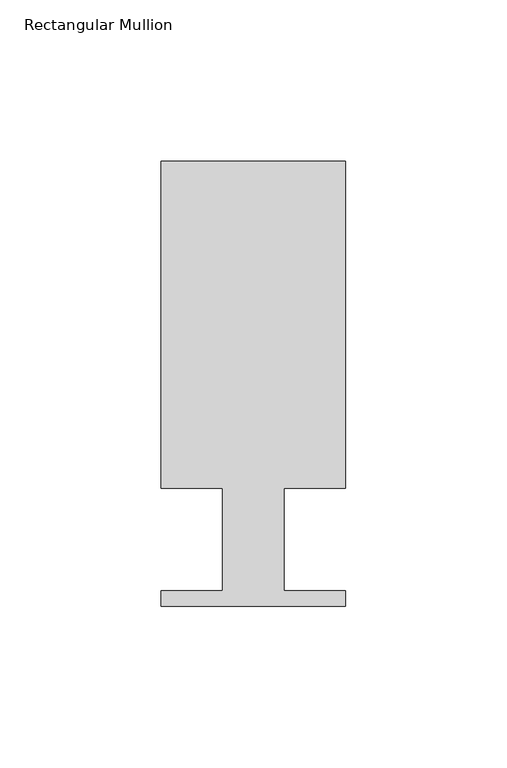
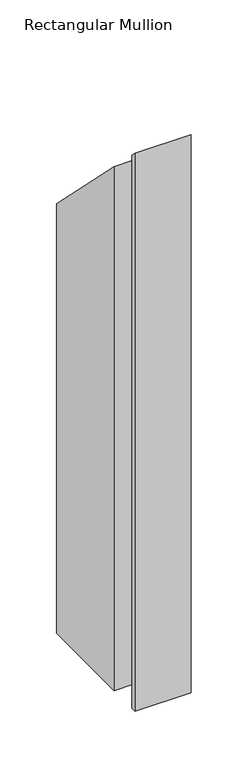
"""IFC4 building model written with IfcOpenShell, lengths in millimetres: member geometry, Rectangular Mullion."""

from ifc_helpers import new_model, si_unit, origin, place, context, project, spatial, faceted_brep, source, transform, mapped, element, save


def rectangular_mullion_df0217a7(model_context):
    return source(origin(), model_context, "Body", "Brep", [
        faceted_brep([(0.0, 138.3268125, -599.5695714), (0.0, 37.1078125, -599.5695714), (-19.05, 37.1078125, -599.5695714), (-19.05, 5.3578125, -599.5695714), (0.0, 5.3578125, -599.5695714), (0.0, 0.5318125, -599.5695714), (-57.15, 0.5318125, -599.5695714), (-57.15, 5.3578125, -599.5695714), (-38.1, 5.3578125, -599.5695714), (-38.1, 37.1078125, -599.5695714), (-57.15, 37.1078125, -599.5695714), (-57.15, 138.3268125, -599.5695714), (-57.15, 138.3268125, -138.3268125), (0.0, 138.3268125, -138.3268125), (-57.15, 37.1078125, -37.1078125), (-38.1, 37.1078125, -37.1078125), (-38.1, 5.3578125, -5.3578125), (-57.15, 5.3578125, -5.3578125), (-57.15, 0.5318125, -0.5318125), (0.0, 0.5318125, -0.5318125), (0.0, 5.3578125, -5.3578125), (-19.05, 5.3578125, -5.3578125), (-19.05, 37.1078125, -37.1078125), (0.0, 37.1078125, -37.1078125)], [[[0, 1, 2, 3, 4, 5, 6, 7, 8, 9, 10, 11]], [[12, 13, 0, 11]], [[14, 12, 11, 10]], [[15, 14, 10, 9]], [[16, 15, 9, 8]], [[17, 16, 8, 7]], [[18, 17, 7, 6]], [[19, 18, 6, 5]], [[20, 19, 5, 4]], [[21, 20, 4, 3]], [[22, 21, 3, 2]], [[23, 22, 2, 1]], [[13, 23, 1, 0]], [[13, 12, 14, 15, 16, 17, 18, 19, 20, 21, 22, 23]]]),
    ])


if __name__ == "__main__":
    model = new_model("IFC4")
    model_context = context("Model", 3, world=origin())
    ifc_project = project(units=[si_unit("LENGTHUNIT", "METRE", prefix="MILLI")], contexts=[model_context])
    site = spatial("IfcSite", under=ifc_project)
    building = spatial("IfcBuilding", under=site)
    placement = place(None, origin())
    rectangular_mullion_shape = rectangular_mullion_df0217a7(model_context)
    element("IfcMember", 1, ObjectType="Rectangular Mullion", at=placement, inside=building, context=model_context, shape_type="MappedRepresentation", body=[
        mapped(rectangular_mullion_shape, transform((0.0, 0.0, 0.0), x_axis=(1.0, 0.0, 0.0), y_axis=(0.0, 1.0, 0.0), z_axis=(0.0, 0.0, 1.0))),
    ])
    save(model, "model.ifc")
